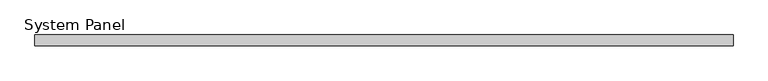
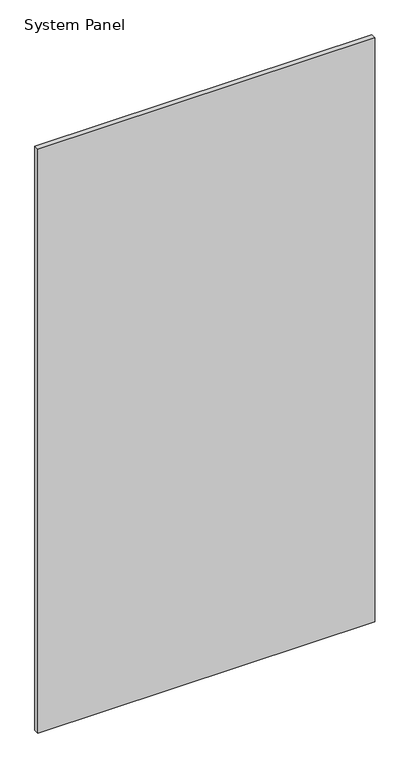
"""IFC4 building model written with IfcOpenShell, lengths in millimetres: plate geometry, System Panel."""

from ifc_helpers import new_model, si_unit, origin, origin_with_axes, place, context, project, spatial, polyline, outline, extrude, source, transform, mapped, element, save


def system_panel_4152cee9(model_context):
    return source(origin(), model_context, "Body", "SweptSolid", [
        extrude(outline(polyline([(654.8346948, -10.0), (-654.8346948, -10.0), (-654.8346948, 10.0), (654.8346948, 10.0), (654.8346948, -10.0)])), origin_with_axes(), (0.0, 0.0, 1.0), 2400.0),
    ])


if __name__ == "__main__":
    model = new_model("IFC4")
    model_context = context("Model", 3, world=origin())
    ifc_project = project(units=[si_unit("LENGTHUNIT", "METRE", prefix="MILLI")], contexts=[model_context])
    site = spatial("IfcSite", under=ifc_project)
    building = spatial("IfcBuilding", under=site)
    placement = place(None, origin())
    system_panel_shape = system_panel_4152cee9(model_context)
    element("IfcPlate", 1, ObjectType="System Panel", at=placement, inside=building, context=model_context, shape_type="MappedRepresentation", body=[
        mapped(system_panel_shape, transform((0.0, 0.0, 0.0), x_axis=(1.0, 0.0, 0.0), y_axis=(0.0, 1.0, 0.0), z_axis=(0.0, 0.0, 1.0))),
    ])
    save(model, "model.ifc")
